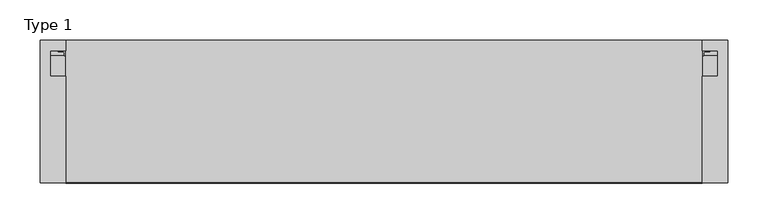
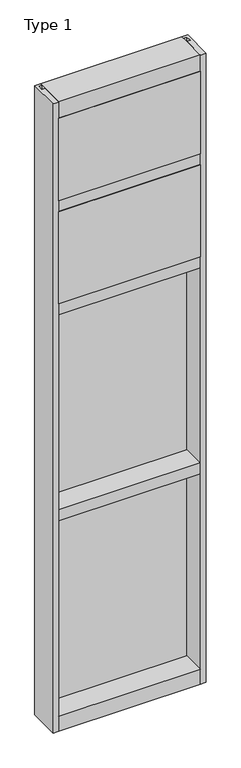
"""IFC4 building model written with IfcOpenShell, lengths in millimetres: plate geometry, Type 1."""

from ifc_helpers import new_model, si_unit, point, frame, frame_2d, origin, place, context, project, spatial, polyline, circle_curve, trimmed, segment, composite_curve, outline, extrude, source, transform, mapped, element, save


def type_1_e83da8d1(model_context):
    return source(origin(), model_context, "Body", "SweptSolid", [
        extrude(outline(polyline([(34.0360843, 3579.4782689), (34.0360843, 3568.7272341), (27.686, 3566.9739421), (27.686, 3579.4782689), (34.0360843, 3579.4782689)])), frame((-415.925, 0.0, 0.0), z_axis=(1.0, 0.0, 0.0), x_axis=(0.0, 1.0, 0.0)), (0.0, 0.0, 1.0), 831.85),
        extrude(outline(composite_curve([segment(polyline([(-397.3624462, 27.686), (-398.3289521, 27.686), (-398.3564595, 31.7563748)]), True, "CONTINUOUS"), segment(trimmed(circle_curve(frame_2d((-398.991445, 31.7520836)), 0.635), [point((-398.3564595, 31.7563748))], [point((-398.9563642, 32.3861138))], True, "CARTESIAN"), True, "CONTINUOUS"), segment(polyline([(-398.9563642, 32.3861138), (-405.7117251, 32.7598869)]), True, "CONTINUOUS"), segment(trimmed(circle_curve(frame_2d((-405.5291718, 33.7593519)), 1.016), [point((-405.7117251, 32.7598869))], [point((-406.5067504, 34.0361122))], False, "CARTESIAN"), True, "CONTINUOUS"), segment(polyline([(-406.5067504, 34.0361122), (-396.9515008, 34.0361122), (-397.3624462, 27.686)]), True, "CONTINUOUS")], self_intersect=False)), frame((0.0, 0.0, 3068.9728643), z_axis=(0.0, 0.0, 1.0), x_axis=(1.0, 0.0, 0.0)), (0.0, 0.0, 1.0), 518.7771357),
        extrude(outline(composite_curve([segment(polyline([(397.3624462, 27.686), (396.9515008, 34.0361122), (406.5067504, 34.0361122)]), True, "CONTINUOUS"), segment(trimmed(circle_curve(frame_2d((405.5291718, 33.7593519)), 1.016), [point((406.5067504, 34.0361122))], [point((405.7117251, 32.7598869))], False, "CARTESIAN"), True, "CONTINUOUS"), segment(polyline([(405.7117251, 32.7598869), (398.9563642, 32.3861138)]), True, "CONTINUOUS"), segment(trimmed(circle_curve(frame_2d((398.991445, 31.7520836)), 0.635), [point((398.9563642, 32.3861138))], [point((398.3564595, 31.7563748))], True, "CARTESIAN"), True, "CONTINUOUS"), segment(polyline([(398.3564595, 31.7563748), (398.3289521, 27.686), (397.3624462, 27.686)]), True, "CONTINUOUS")], self_intersect=False)), frame((0.0, 0.0, 3068.9728643), z_axis=(0.0, 0.0, 1.0), x_axis=(1.0, 0.0, 0.0)), (0.0, 0.0, 1.0), 518.7771357),
        extrude(outline(polyline([(34.0361122, 3068.9728643), (27.686, 3068.9728643), (27.686, 3081.4771952), (34.0361122, 3079.7238955), (34.0361122, 3068.9728643)])), frame((-406.5067504, 0.0, 0.0), z_axis=(1.0, 0.0, 0.0), x_axis=(0.0, 1.0, 0.0)), (0.0, 0.0, 1.0), 813.0135007),
        extrude(outline(polyline([(398.4625, -48.6030703), (396.875, -131.0159103), (-396.875, -131.0159103), (-398.4625, -48.6030703), (398.4625, -48.6030703)])), frame((0.0, 0.0, 3079.75), z_axis=(0.0, 0.0, 1.0), x_axis=(1.0, 0.0, 0.0)), (0.0, 0.0, 1.0), 488.95),
        extrude(outline(polyline([(-415.925, 27.686), (415.925, 27.686), (415.925, 2.286), (-415.925, 2.286), (-415.925, 27.686)])), frame((0.0, 0.0, 3060.7), z_axis=(0.0, 0.0, 1.0), x_axis=(1.0, 0.0, 0.0)), (0.0, 0.0, 1.0), 527.05),
        extrude(outline(composite_curve([segment(polyline([(34.0360974, 3027.0282838), (34.0360974, 3016.1659828)]), True, "CONTINUOUS"), segment(trimmed(circle_curve(frame_2d((38.5198748, 2991.1648681)), 25.4), [point((34.0360974, 3016.1659828))], [point((27.686, 3014.1384868))], True, "CARTESIAN"), True, "CONTINUOUS"), segment(polyline([(27.686, 3014.1384868), (27.686, 3027.0282838), (34.0360974, 3027.0282838)]), True, "CONTINUOUS")], self_intersect=False)), frame((-415.925, 0.0, 0.0), z_axis=(1.0, 0.0, 0.0), x_axis=(0.0, 1.0, 0.0)), (0.0, 0.0, 1.0), 831.85),
        extrude(outline(composite_curve([segment(polyline([(-396.9515008, 34.0361122), (-397.3624462, 27.686), (-398.3289521, 27.686), (-398.3564595, 31.7563748)]), True, "CONTINUOUS"), segment(trimmed(circle_curve(frame_2d((-398.991445, 31.7520836)), 0.635), [point((-398.3564595, 31.7563748))], [point((-398.9563642, 32.3861138))], True, "CARTESIAN"), True, "CONTINUOUS"), segment(polyline([(-398.9563642, 32.3861138), (-405.7117251, 32.7598869)]), True, "CONTINUOUS"), segment(trimmed(circle_curve(frame_2d((-405.5291718, 33.7593519)), 1.016), [point((-405.7117251, 32.7598869))], [point((-406.5067504, 34.0361122))], False, "CARTESIAN"), True, "CONTINUOUS"), segment(polyline([(-406.5067504, 34.0361122), (-396.9515008, 34.0361122)]), True, "CONTINUOUS")], self_intersect=False)), frame((0.0, 0.0, 2459.3728643), z_axis=(0.0, 0.0, 1.0), x_axis=(1.0, 0.0, 0.0)), (0.0, 0.0, 1.0), 575.9271357),
        extrude(outline(composite_curve([segment(polyline([(397.3624462, 27.686), (396.9515008, 34.0361122), (406.5067504, 34.0361122)]), True, "CONTINUOUS"), segment(trimmed(circle_curve(frame_2d((405.5291718, 33.7593519)), 1.016), [point((406.5067504, 34.0361122))], [point((405.7117251, 32.7598869))], False, "CARTESIAN"), True, "CONTINUOUS"), segment(polyline([(405.7117251, 32.7598869), (398.9563642, 32.3861138)]), True, "CONTINUOUS"), segment(trimmed(circle_curve(frame_2d((398.991445, 31.7520836)), 0.635), [point((398.9563642, 32.3861138))], [point((398.3564595, 31.7563748))], True, "CARTESIAN"), True, "CONTINUOUS"), segment(polyline([(398.3564595, 31.7563748), (398.3289521, 27.686), (397.3624462, 27.686)]), True, "CONTINUOUS")], self_intersect=False)), frame((0.0, 0.0, 2459.3728643), z_axis=(0.0, 0.0, 1.0), x_axis=(1.0, 0.0, 0.0)), (0.0, 0.0, 1.0), 575.9271357),
        extrude(outline(polyline([(34.0361122, 2459.3728643), (27.686, 2459.3728643), (27.686, 2471.8771952), (34.0361122, 2470.1238955), (34.0361122, 2459.3728643)])), frame((-406.5067504, 0.0, 0.0), z_axis=(1.0, 0.0, 0.0), x_axis=(0.0, 1.0, 0.0)), (0.0, 0.0, 1.0), 813.0135007),
        extrude(outline(polyline([(396.875, -48.514), (396.875, -131.0159103), (-396.875, -131.0159103), (-396.875, -48.514), (396.875, -48.514)])), frame((0.0, 0.0, 2470.15), z_axis=(0.0, 0.0, 1.0), x_axis=(1.0, 0.0, 0.0)), (0.0, 0.0, 1.0), 546.1),
        extrude(outline(polyline([(415.925, 27.686), (415.925, 2.286), (-415.925, 2.286), (-415.925, 27.686), (415.925, 27.686)])), frame((0.0, 0.0, 2451.1), z_axis=(0.0, 0.0, 1.0), x_axis=(1.0, 0.0, 0.0)), (0.0, 0.0, 1.0), 584.2),
        extrude(outline(polyline([(-428.625, -130.5814), (-428.625, 47.2186), (-396.8739108, 47.2186), (-396.8739108, 34.036), (-415.925, 34.036), (-415.925, 2.286), (-396.875, 2.286), (-396.875, -130.5814), (-428.625, -130.5814)])), frame((0.0, 0.0, -57.15), z_axis=(0.0, 0.0, 1.0), x_axis=(1.0, 0.0, 0.0)), (0.0, 0.0, 1.0), 3721.1),
        extrude(outline(polyline([(428.625, -130.5814), (396.875, -130.5814), (396.875, 2.286), (415.925, 2.286), (415.925, 34.036), (396.8739108, 34.036), (396.8739108, 47.2186), (428.625, 47.2186), (428.625, -130.5814)])), frame((0.0, 0.0, -57.15), z_axis=(0.0, 0.0, 1.0), x_axis=(1.0, 0.0, 0.0)), (0.0, 0.0, 1.0), 3721.1),
        extrude(outline(polyline([(27.686, 1252.6752684), (34.036, 1250.9219997), (34.036, 1240.1709644), (27.686, 1240.1709644), (27.686, 1252.6752684)])), frame((-406.5078713, 0.0, 0.0), z_axis=(1.0, 0.0, 0.0), x_axis=(0.0, 1.0, 0.0)), (0.0, 0.0, 1.0), 813.0157427),
        extrude(outline(polyline([(27.6860992, 2417.4309356), (34.0360992, 2417.4309356), (34.0360992, 2406.6798775), (27.6860992, 2404.9266088), (27.6860992, 2417.4309356)])), frame((-406.5078713, 0.0, 0.0), z_axis=(1.0, 0.0, 0.0), x_axis=(0.0, 1.0, 0.0)), (0.0, 0.0, 1.0), 813.0157427),
        extrude(outline(composite_curve([segment(trimmed(circle_curve(frame_2d((-398.9925342, 31.7520836)), 0.635), [point((-398.3575487, 31.7563748))], [point((-398.9574534, 32.3861138))], True, "CARTESIAN"), True, "CONTINUOUS"), segment(polyline([(-398.9574534, 32.3861138), (-405.7128143, 32.7598869)]), True, "CONTINUOUS"), segment(trimmed(circle_curve(frame_2d((-405.5302611, 33.7593519)), 1.016), [point((-405.7128143, 32.7598869))], [point((-406.5078713, 34.036))], False, "CARTESIAN"), True, "CONTINUOUS"), segment(polyline([(-406.5078713, 34.036), (-396.9525972, 34.036), (-397.3635354, 27.686), (-398.3300413, 27.686), (-398.3575487, 31.7563748)]), True, "CONTINUOUS")], self_intersect=False)), frame((0.0, 0.0, 1240.1709644), z_axis=(0.0, 0.0, 1.0), x_axis=(1.0, 0.0, 0.0)), (0.0, 0.0, 1.0), 1177.2580861),
        extrude(outline(composite_curve([segment(polyline([(397.3635354, 27.686), (396.9525972, 34.036), (406.5078713, 34.036)]), True, "CONTINUOUS"), segment(trimmed(circle_curve(frame_2d((405.5302611, 33.7593519)), 1.016), [point((406.5078713, 34.036))], [point((405.7128143, 32.7598869))], False, "CARTESIAN"), True, "CONTINUOUS"), segment(polyline([(405.7128143, 32.7598869), (398.9574534, 32.3861138)]), True, "CONTINUOUS"), segment(trimmed(circle_curve(frame_2d((398.9925342, 31.7520836)), 0.635), [point((398.9574534, 32.3861138))], [point((398.3575487, 31.7563748))], True, "CARTESIAN"), True, "CONTINUOUS"), segment(polyline([(398.3575487, 31.7563748), (398.3300413, 27.686), (397.3635354, 27.686)]), True, "CONTINUOUS")], self_intersect=False)), frame((0.0, 0.0, 1240.1709644), z_axis=(0.0, 0.0, 1.0), x_axis=(1.0, 0.0, 0.0)), (0.0, 0.0, 1.0), 1177.2580861),
        extrude(outline(polyline([(415.9260892, 27.686), (415.9260892, 2.286), (-415.9260892, 2.286), (-415.9260892, 27.686), (415.9260892, 27.686)])), frame((0.0, 0.0, 1231.8962001), z_axis=(0.0, 0.0, 1.0), x_axis=(1.0, 0.0, 0.0)), (0.0, 0.0, 1.0), 1193.8037999),
        extrude(outline(polyline([(27.686, 33.4752684), (34.036, 31.7219997), (34.036, 20.9709644), (27.686, 20.9709644), (27.686, 33.4752684)])), frame((-406.5078713, 0.0, 0.0), z_axis=(1.0, 0.0, 0.0), x_axis=(0.0, 1.0, 0.0)), (0.0, 0.0, 1.0), 813.0157427),
        extrude(outline(polyline([(27.6860992, 1198.2309356), (34.0360992, 1198.2309356), (34.0360992, 1187.4798775), (27.6860992, 1185.7266088), (27.6860992, 1198.2309356)])), frame((-406.5078713, 0.0, 0.0), z_axis=(1.0, 0.0, 0.0), x_axis=(0.0, 1.0, 0.0)), (0.0, 0.0, 1.0), 813.0157427),
        extrude(outline(composite_curve([segment(trimmed(circle_curve(frame_2d((-398.9925342, 31.7520836)), 0.635), [point((-398.3575487, 31.7563748))], [point((-398.9574534, 32.3861138))], True, "CARTESIAN"), True, "CONTINUOUS"), segment(polyline([(-398.9574534, 32.3861138), (-405.7128143, 32.7598869)]), True, "CONTINUOUS"), segment(trimmed(circle_curve(frame_2d((-405.5302611, 33.7593519)), 1.016), [point((-405.7128143, 32.7598869))], [point((-406.5078713, 34.036))], False, "CARTESIAN"), True, "CONTINUOUS"), segment(polyline([(-406.5078713, 34.036), (-396.9525972, 34.036), (-397.3635354, 27.686), (-398.3300413, 27.686), (-398.3575487, 31.7563748)]), True, "CONTINUOUS")], self_intersect=False)), frame((0.0, 0.0, 20.9709644), z_axis=(0.0, 0.0, 1.0), x_axis=(1.0, 0.0, 0.0)), (0.0, 0.0, 1.0), 1177.2580861),
        extrude(outline(composite_curve([segment(polyline([(397.3635354, 27.686), (396.9525972, 34.036), (406.5078713, 34.036)]), True, "CONTINUOUS"), segment(trimmed(circle_curve(frame_2d((405.5302611, 33.7593519)), 1.016), [point((406.5078713, 34.036))], [point((405.7128143, 32.7598869))], False, "CARTESIAN"), True, "CONTINUOUS"), segment(polyline([(405.7128143, 32.7598869), (398.9574534, 32.3861138)]), True, "CONTINUOUS"), segment(trimmed(circle_curve(frame_2d((398.9925342, 31.7520836)), 0.635), [point((398.9574534, 32.3861138))], [point((398.3575487, 31.7563748))], True, "CARTESIAN"), True, "CONTINUOUS"), segment(polyline([(398.3575487, 31.7563748), (398.3300413, 27.686), (397.3635354, 27.686)]), True, "CONTINUOUS")], self_intersect=False)), frame((0.0, 0.0, 20.9709644), z_axis=(0.0, 0.0, 1.0), x_axis=(1.0, 0.0, 0.0)), (0.0, 0.0, 1.0), 1177.2580861),
        extrude(outline(polyline([(415.9260892, 27.686), (415.9260892, 2.286), (-415.9260892, 2.286), (-415.9260892, 27.686), (415.9260892, 27.686)])), frame((0.0, 0.0, 12.6962001), z_axis=(0.0, 0.0, 1.0), x_axis=(1.0, 0.0, 0.0)), (0.0, 0.0, 1.0), 1193.8037999),
        extrude(outline(polyline([(0.0, 3079.75), (0.0, 3060.7), (34.13125, 3060.7), (34.13125, 3079.7462001), (46.83125, 3079.7462001), (46.83125, 3016.2462001), (34.13125, 3016.2462001), (34.13125, 3035.3), (0.0, 3035.3), (0.0, 3016.25), (-130.175, 3016.25), (-130.175, 3079.75), (0.0, 3079.75)])), frame((-396.875, 0.0, 0.0), z_axis=(1.0, 0.0, 0.0), x_axis=(0.0, 1.0, 0.0)), (0.0, 0.0, 1.0), 793.75),
        extrude(outline(polyline([(0.0, 2470.15), (0.0, 2451.1), (34.13125, 2451.1), (34.13125, 2470.1462001), (46.83125, 2470.1462001), (46.83125, 2406.6462001), (34.13125, 2406.6462001), (34.13125, 2425.7), (0.0, 2425.7), (0.0, 2406.65), (-130.175, 2406.65), (-130.175, 2470.15), (0.0, 2470.15)])), frame((-396.875, 0.0, 0.0), z_axis=(1.0, 0.0, 0.0), x_axis=(0.0, 1.0, 0.0)), (0.0, 0.0, 1.0), 793.75),
        extrude(outline(polyline([(47.2186297, 3663.95), (47.2186297, 3568.7), (34.13125, 3568.7), (34.13125, 3587.75), (0.0, 3587.75), (0.0, 3568.7), (-130.175, 3568.7), (-130.175, 3663.95), (47.2186297, 3663.95)])), frame((-396.875, 0.0, 0.0), z_axis=(1.0, 0.0, 0.0), x_axis=(0.0, 1.0, 0.0)), (0.0, 0.0, 1.0), 793.75),
        extrude(outline(polyline([(0.0, 1250.95), (0.0, 1231.9), (34.13125, 1231.9), (34.13125, 1250.9462001), (46.83125, 1250.9462001), (46.83125, 1187.4462001), (34.13125, 1187.4462001), (34.13125, 1206.5), (0.0, 1206.5), (0.0, 1187.45), (-130.175, 1187.45), (-130.175, 1250.95), (0.0, 1250.95)])), frame((-396.875, 0.0, 0.0), z_axis=(1.0, 0.0, 0.0), x_axis=(0.0, 1.0, 0.0)), (0.0, 0.0, 1.0), 793.75),
        extrude(outline(polyline([(0.0, 31.75), (0.0, 12.7), (34.13125, 12.7), (34.13125, 31.751832), (47.2186148, 31.751832), (47.2186148, -57.15), (-130.175, -57.15), (-130.175, 31.75), (0.0, 31.75)])), frame((-396.875, 0.0, 0.0), z_axis=(1.0, 0.0, 0.0), x_axis=(0.0, 1.0, 0.0)), (0.0, 0.0, 1.0), 793.75),
    ])


if __name__ == "__main__":
    model = new_model("IFC4")
    model_context = context("Model", 3, world=origin())
    ifc_project = project(units=[si_unit("LENGTHUNIT", "METRE", prefix="MILLI")], contexts=[model_context])
    site = spatial("IfcSite", under=ifc_project)
    building = spatial("IfcBuilding", under=site)
    placement = place(None, origin())
    type_1_shape = type_1_e83da8d1(model_context)
    element("IfcPlate", 1, ObjectType="Type 1", at=placement, inside=building, context=model_context, shape_type="MappedRepresentation", body=[
        mapped(type_1_shape, transform((0.0, 0.0, 0.0), x_axis=(1.0, 0.0, 0.0), y_axis=(0.0, 1.0, 0.0), z_axis=(0.0, 0.0, 1.0))),
    ])
    save(model, "model.ifc")
